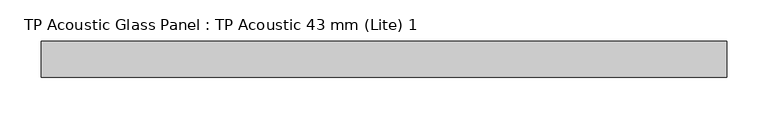
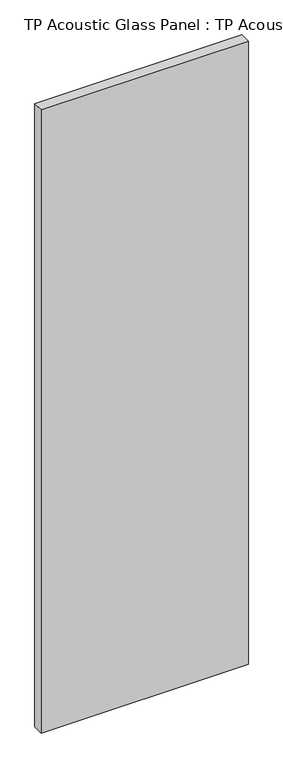
"""IFC4 building model written with IfcOpenShell, lengths in millimetres: plate geometry, TP Acoustic Glass Panel : TP Acoustic 43 mm (Lite) 1."""

from ifc_helpers import new_model, si_unit, origin, origin_with_axes, place, context, project, spatial, polyline, outline, extrude, source, transform, mapped, element, save


def tp_acoustic_glass_panel_tp_acoustic_43_mm_lite_1_85e1430c(model_context):
    return source(origin(), model_context, "Body", "SweptSolid", [
        extrude(outline(polyline([(413.588432, -21.5), (-413.588432, -21.5), (-413.588432, 21.5), (413.588432, 21.5), (413.588432, -21.5)])), origin_with_axes(), (0.0, 0.0, 1.0), 2628.0),
    ])


if __name__ == "__main__":
    model = new_model("IFC4")
    model_context = context("Model", 3, world=origin())
    ifc_project = project(units=[si_unit("LENGTHUNIT", "METRE", prefix="MILLI")], contexts=[model_context])
    site = spatial("IfcSite", under=ifc_project)
    building = spatial("IfcBuilding", under=site)
    placement = place(None, origin())
    tp_acoustic_glass_panel_tp_acoustic_43_mm_lite_1_shape = tp_acoustic_glass_panel_tp_acoustic_43_mm_lite_1_85e1430c(model_context)
    element("IfcPlate", 1, ObjectType="TP Acoustic Glass Panel : TP Acoustic 43 mm (Lite) 1", at=placement, inside=building, context=model_context, shape_type="MappedRepresentation", body=[
        mapped(tp_acoustic_glass_panel_tp_acoustic_43_mm_lite_1_shape, transform((0.0, 0.0, 0.0), x_axis=(1.0, 0.0, 0.0), y_axis=(0.0, 1.0, 0.0), z_axis=(0.0, 0.0, 1.0))),
    ])
    save(model, "model.ifc")
